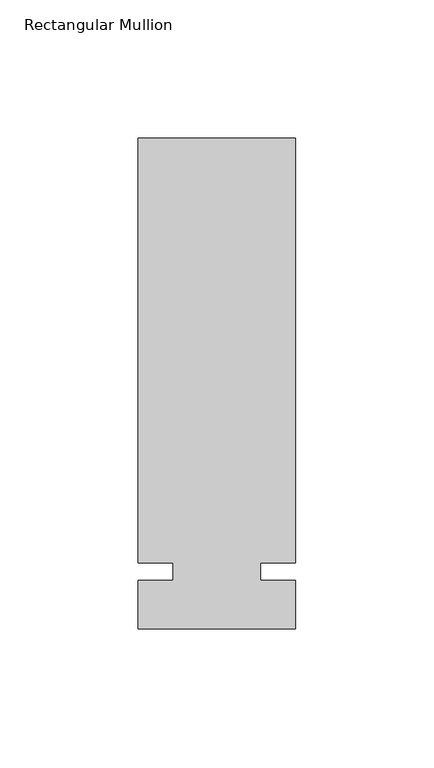
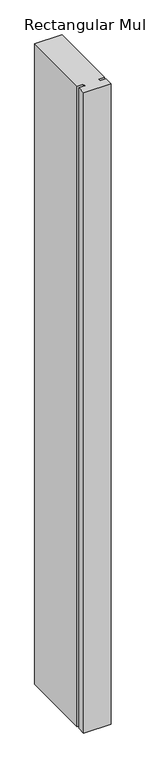
"""IFC4 building model written with IfcOpenShell, lengths in millimetres: member geometry, Rectangular Mullion."""

from ifc_helpers import new_model, si_unit, frame, origin, place, context, project, spatial, polyline, outline, extrude, source, transform, mapped, element, save


def rectangular_mullion_a4fd1a3b(model_context):
    return source(origin(), model_context, "Body", "SweptSolid", [
        extrude(outline(polyline([(32.9094027, 157.1625), (32.9094027, 3.175), (20.2076322, 3.175), (20.2076322, -3.175), (32.9094027, -3.175), (32.9094027, -20.6375), (-24.2405973, -20.6375), (-24.2405973, -3.175), (-11.5405973, -3.175), (-11.5405973, 3.175), (-24.2405973, 3.175), (-24.2405973, 157.1625), (32.9094027, 157.1625)])), frame((0.0, 0.0, -1416.1510693), z_axis=(0.0, 0.0, 1.0), x_axis=(1.0, 0.0, 0.0)), (0.0, 0.0, 1.0), 1416.1510693),
    ])


if __name__ == "__main__":
    model = new_model("IFC4")
    model_context = context("Model", 3, world=origin())
    ifc_project = project(units=[si_unit("LENGTHUNIT", "METRE", prefix="MILLI")], contexts=[model_context])
    site = spatial("IfcSite", under=ifc_project)
    building = spatial("IfcBuilding", under=site)
    placement = place(None, origin())
    rectangular_mullion_shape = rectangular_mullion_a4fd1a3b(model_context)
    element("IfcMember", 1, ObjectType="Rectangular Mullion", at=placement, inside=building, context=model_context, shape_type="MappedRepresentation", body=[
        mapped(rectangular_mullion_shape, transform((0.0, 0.0, 0.0), x_axis=(1.0, 0.0, 0.0), y_axis=(0.0, 1.0, 0.0), z_axis=(0.0, 0.0, 1.0))),
    ])
    save(model, "model.ifc")
